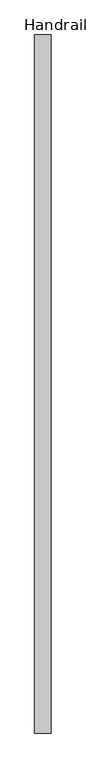
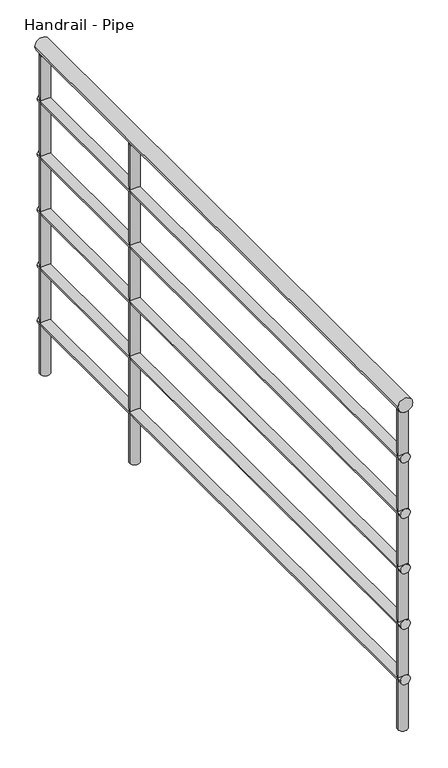
"""IFC4 building model written with IfcOpenShell, lengths in millimetres: railing geometry, Handrail - Pipe."""

import ifcopenshell
import ifcopenshell.guid

model = None  # the IFC model being written
_history = None  # IfcOwnerHistory: only IFC2X3 demands one
_inside = {}  # id of a spatial element -> (the spatial element, [elements in it])
_under = {}  # id of a project, library or spatial element -> (it, [spatial elements below it])
_declared = {}  # id of a project -> (the project, [libraries it declares])
_typed = {}  # id of a type object -> (the type object, [elements of that type])
_made_of = {}  # id of a material, layer set ... -> (it, [elements and type objects made of it])


def new_model(schema):
    """Start an empty IFC model of exactly this schema.

    Asked for "IFC4X3", IfcOpenShell would pick the latest addendum, in which some entities
    have other attributes; the version numbers below select the first issue.
    IFC2X3 requires an IfcOwnerHistory on every rooted entity: one is made here for all.
    """
    global model, _history
    if schema == "IFC4X3":
        model = ifcopenshell.file(schema_version=(4, 3, 0, 0))
    else:
        model = ifcopenshell.file(schema=schema)
    _inside.clear()
    _under.clear()
    _declared.clear()
    _typed.clear()
    _made_of.clear()
    _history = None
    if model.schema == "IFC2X3":
        org = make("IfcOrganization", Name="unknown")
        user = make(
            "IfcPersonAndOrganization",
            ThePerson=make("IfcPerson", FamilyName="unknown"),
            TheOrganization=org,
        )
        app = make(
            "IfcApplication",
            ApplicationDeveloper=org,
            Version="unknown",
            ApplicationFullName="unknown",
            ApplicationIdentifier="unknown",
        )
        _history = make(
            "IfcOwnerHistory",
            OwningUser=user,
            OwningApplication=app,
            ChangeAction="ADDED",
            CreationDate=0,
        )
    return model


def make(cls, **values):
    """One entity of the class cls with the attributes given. An attribute that is None is left unset."""
    return model.create_entity(
        cls, **{name: value for name, value in values.items() if value is not None}
    )


def rooted(cls, **values):
    """An entity with a GlobalId (a new one), such as an element, a storey or a relation."""
    return make(cls, GlobalId=ifcopenshell.guid.new(), OwnerHistory=_history, **values)


def si_unit(unit_type, name, prefix=None):
    """IfcSIUnit, for example si_unit("LENGTHUNIT", "METRE", prefix="MILLI")."""
    return make("IfcSIUnit", UnitType=unit_type, Prefix=prefix, Name=name)


def assignment(units):
    """IfcUnitAssignment: the units of a project."""
    return None if units is None else make("IfcUnitAssignment", Units=units)


def point(xyz):
    """IfcCartesianPoint."""
    return None if xyz is None else make("IfcCartesianPoint", Coordinates=xyz)


def direction(xyz):
    """IfcDirection."""
    return None if xyz is None else make("IfcDirection", DirectionRatios=xyz)


def frame(location, z_axis=None, x_axis=None):
    """IfcAxis2Placement3D, a coordinate frame: its origin and axes. An axis left out is left unset."""
    return make(
        "IfcAxis2Placement3D",
        Location=point(location),
        Axis=direction(z_axis),
        RefDirection=direction(x_axis),
    )


def frame_2d(location, x_axis=None):
    """IfcAxis2Placement2D, a coordinate frame in the plane: its origin and x axis."""
    return make(
        "IfcAxis2Placement2D", Location=point(location), RefDirection=direction(x_axis)
    )


def origin():
    """The frame at (0, 0, 0) with its axes left unset."""
    return frame((0.0, 0.0, 0.0))


def place(relative_to, where):
    """IfcLocalPlacement: puts the frame where relative to a parent placement (None: the world)."""
    return make(
        "IfcLocalPlacement", PlacementRelTo=relative_to, RelativePlacement=where
    )


def context(
    kind, dimensions, precision=None, world=None, true_north=None, identifier=None
):
    """IfcGeometricRepresentationContext, for example the 3D "Model" context."""
    return make(
        "IfcGeometricRepresentationContext",
        ContextIdentifier=identifier,
        ContextType=kind,
        CoordinateSpaceDimension=dimensions,
        Precision=precision,
        WorldCoordinateSystem=world,
        TrueNorth=true_north,
    )


def project(units=None, contexts=None):
    """IfcProject with its units and contexts."""
    return rooted(
        "IfcProject",
        Name="project",
        RepresentationContexts=contexts,
        UnitsInContext=assignment(units),
    )


def spatial(cls, under=None, at=None, **own):
    """A site, building, storey or space (cls), placed at a placement, below another one or the project."""
    s = rooted(cls, ObjectPlacement=at, **own)
    if under is not None:
        _under.setdefault(under.id(), (under, []))[1].append(s)
    return s


def circle_curve(where, radius):
    """IfcCircle in the frame where."""
    return make("IfcCircle", Position=where, Radius=radius)


def trimmed(basis, trim1, trim2, sense, master):
    """IfcTrimmedCurve: the piece of a basis curve between two trims."""
    return make(
        "IfcTrimmedCurve",
        BasisCurve=basis,
        Trim1=trim1,
        Trim2=trim2,
        SenseAgreement=sense,
        MasterRepresentation=master,
    )


def segment(curve, same_sense, transition):
    """IfcCompositeCurveSegment."""
    return make(
        "IfcCompositeCurveSegment",
        Transition=transition,
        SameSense=same_sense,
        ParentCurve=curve,
    )


def composite_curve(segments, self_intersect=None):
    """IfcCompositeCurve: segments joined end to end."""
    return make("IfcCompositeCurve", Segments=segments, SelfIntersect=self_intersect)


def outline(outer, holes=None, kind="AREA"):
    """IfcArbitraryClosedProfileDef: a profile drawn as a closed curve; with holes, ...WithVoids."""
    if holes is None:
        return make("IfcArbitraryClosedProfileDef", ProfileType=kind, OuterCurve=outer)
    return make(
        "IfcArbitraryProfileDefWithVoids",
        ProfileType=kind,
        OuterCurve=outer,
        InnerCurves=holes,
    )


def extrude(swept, where, along, depth):
    """IfcExtrudedAreaSolid: the profile swept, set in the frame where, extruded along a direction by depth."""
    return make(
        "IfcExtrudedAreaSolid",
        SweptArea=swept,
        Position=where,
        ExtrudedDirection=direction(along),
        Depth=depth,
    )


def shape(context_of_items, identifier, shape_type, items):
    """IfcShapeRepresentation: the items that make up one representation, for example the "Body"."""
    return make(
        "IfcShapeRepresentation",
        ContextOfItems=context_of_items,
        RepresentationIdentifier=identifier,
        RepresentationType=shape_type,
        Items=items,
    )


def source(mapping_origin, context_of_items, identifier, shape_type, items):
    """IfcRepresentationMap: a shape defined once, which mapped items show again and again."""
    return make(
        "IfcRepresentationMap",
        MappingOrigin=mapping_origin,
        MappedRepresentation=shape(context_of_items, identifier, shape_type, items),
    )


def transform(
    local_origin,
    x_axis=None,
    y_axis=None,
    z_axis=None,
    scale=None,
    scale2=None,
    scale3=None,
    uniform=True,
):
    """IfcCartesianTransformationOperator3D, or its non-uniform kind. x_axis, y_axis, z_axis: its Axis1, 2, 3."""
    if uniform:
        return make(
            "IfcCartesianTransformationOperator3D",
            Axis1=direction(x_axis),
            Axis2=direction(y_axis),
            LocalOrigin=point(local_origin),
            Scale=scale,
            Axis3=direction(z_axis),
        )
    return make(
        "IfcCartesianTransformationOperator3DnonUniform",
        Axis1=direction(x_axis),
        Axis2=direction(y_axis),
        LocalOrigin=point(local_origin),
        Scale=scale,
        Axis3=direction(z_axis),
        Scale2=scale2,
        Scale3=scale3,
    )


def mapped(mapping_source, mapping_target):
    """IfcMappedItem: shows the shape of a source again, moved by a transform."""
    return make(
        "IfcMappedItem", MappingSource=mapping_source, MappingTarget=mapping_target
    )


def made_of(thing, what):
    """Note that an element or type object is made of a material, layer set ...; save() writes the relation."""
    if what is not None:
        _made_of.setdefault(what.id(), (what, []))[1].append(thing)
    return thing


def element(
    cls,
    number,
    at=None,
    inside=None,
    cuts=None,
    type_object=None,
    material=None,
    context=None,
    identifier="Body",
    shape_type=None,
    held_by="IfcProductDefinitionShape",
    body=None,
    shapes=None,
    **own,
):
    """One element of the class cls, such as IfcWall. Its Tag is "e" and its number.

    at: its placement. inside: the storey or other place that contains it. cuts: it is an
    opening in that element (IfcRelVoidsElement). A single representation is given by context,
    identifier, shape_type and body (its items); several are given by shapes. held_by: the class
    of the entity that holds the representations. save() writes the other relations.
    """
    e = rooted(cls, Tag="e%d" % number, ObjectPlacement=at, **own)
    if body is not None:
        shapes = [shape(context, identifier, shape_type, body)]
    if shapes is not None:
        e.Representation = make(held_by, Representations=shapes)
    if inside is not None:
        _inside.setdefault(inside.id(), (inside, []))[1].append(e)
    if cuts is not None:
        rooted(
            "IfcRelVoidsElement", RelatingBuildingElement=cuts, RelatedOpeningElement=e
        )
    if type_object is not None:
        _typed.setdefault(type_object.id(), (type_object, []))[1].append(e)
    return made_of(e, material)


def aggregate(whole, parts):
    """IfcRelAggregates: a whole, such as a stair, and the parts it consists of."""
    return rooted("IfcRelAggregates", RelatingObject=whole, RelatedObjects=parts)


def save(model, path):
    """Write the relations noted so far, then the file.

    IfcRelAggregates (storeys below a building ...), IfcRelContainedInSpatialStructure (elements
    in a storey), IfcRelDefinesByType, IfcRelAssociatesMaterial and IfcRelDeclares: one each for
    every whole, place, type object, material and project.
    """
    for whole, parts in _under.values():
        aggregate(whole, parts)
    for where, things in _inside.values():
        rooted(
            "IfcRelContainedInSpatialStructure",
            RelatedElements=things,
            RelatingStructure=where,
        )
    for kind, things in _typed.values():
        rooted("IfcRelDefinesByType", RelatedObjects=things, RelatingType=kind)
    for what, things in _made_of.values():
        rooted("IfcRelAssociatesMaterial", RelatedObjects=things, RelatingMaterial=what)
    for by, libraries in _declared.values():
        rooted("IfcRelDeclares", RelatingContext=by, RelatedDefinitions=libraries)
    model.write(path)


def handrail_pipe_1bda492f(model_context):
    return source(origin(), model_context, "Body", "SweptSolid", [
        extrude(outline(composite_curve([segment(trimmed(circle_curve(frame_2d((3511.55, 9999.7319622)), 19.05), [point((3511.55, 9980.6819622))], [point((3511.55, 10018.7819622))], False, "CARTESIAN"), True, "CONTINUOUS"), segment(trimmed(circle_curve(frame_2d((3511.55, 9999.7319622)), 19.05), [point((3511.55, 10018.7819622))], [point((3511.55, 9980.6819622))], False, "CARTESIAN"), True, "CONTINUOUS")], self_intersect=False)), frame((0.0, -440.461673, 0.0), z_axis=(0.0, 1.0, 0.0), x_axis=(0.0, 0.0, 1.0)), (0.0, 0.0, 1.0), 1635.0),
        extrude(outline(composite_curve([segment(trimmed(circle_curve(frame_2d((3365.5, 9999.7319622)), 12.7), [point((3365.5, 9987.0319622))], [point((3365.5, 10012.4319622))], False, "CARTESIAN"), True, "CONTINUOUS"), segment(trimmed(circle_curve(frame_2d((3365.5, 9999.7319622)), 12.7), [point((3365.5, 10012.4319622))], [point((3365.5, 9987.0319622))], False, "CARTESIAN"), True, "CONTINUOUS")], self_intersect=False)), frame((0.0, -440.461673, 0.0), z_axis=(0.0, 1.0, 0.0), x_axis=(0.0, 0.0, 1.0)), (0.0, 0.0, 1.0), 1635.0),
        extrude(outline(composite_curve([segment(trimmed(circle_curve(frame_2d((3213.1, 9999.7319622)), 12.7), [point((3213.1, 9987.0319622))], [point((3213.1, 10012.4319622))], False, "CARTESIAN"), True, "CONTINUOUS"), segment(trimmed(circle_curve(frame_2d((3213.1, 9999.7319622)), 12.7), [point((3213.1, 10012.4319622))], [point((3213.1, 9987.0319622))], False, "CARTESIAN"), True, "CONTINUOUS")], self_intersect=False)), frame((0.0, -440.461673, 0.0), z_axis=(0.0, 1.0, 0.0), x_axis=(0.0, 0.0, 1.0)), (0.0, 0.0, 1.0), 1635.0),
        extrude(outline(composite_curve([segment(trimmed(circle_curve(frame_2d((3060.7, 9999.7319622)), 12.7), [point((3060.7, 9987.0319622))], [point((3060.7, 10012.4319622))], False, "CARTESIAN"), True, "CONTINUOUS"), segment(trimmed(circle_curve(frame_2d((3060.7, 9999.7319622)), 12.7), [point((3060.7, 10012.4319622))], [point((3060.7, 9987.0319622))], False, "CARTESIAN"), True, "CONTINUOUS")], self_intersect=False)), frame((0.0, -440.461673, 0.0), z_axis=(0.0, 1.0, 0.0), x_axis=(0.0, 0.0, 1.0)), (0.0, 0.0, 1.0), 1635.0),
        extrude(outline(composite_curve([segment(trimmed(circle_curve(frame_2d((2908.3, 9999.7319622)), 12.7), [point((2908.3, 9987.0319622))], [point((2908.3, 10012.4319622))], False, "CARTESIAN"), True, "CONTINUOUS"), segment(trimmed(circle_curve(frame_2d((2908.3, 9999.7319622)), 12.7), [point((2908.3, 10012.4319622))], [point((2908.3, 9987.0319622))], False, "CARTESIAN"), True, "CONTINUOUS")], self_intersect=False)), frame((0.0, -440.461673, 0.0), z_axis=(0.0, 1.0, 0.0), x_axis=(0.0, 0.0, 1.0)), (0.0, 0.0, 1.0), 1635.0),
        extrude(outline(composite_curve([segment(trimmed(circle_curve(frame_2d((2755.9, 9999.7319622)), 12.7), [point((2755.9, 9987.0319622))], [point((2755.9, 10012.4319622))], False, "CARTESIAN"), True, "CONTINUOUS"), segment(trimmed(circle_curve(frame_2d((2755.9, 9999.7319622)), 12.7), [point((2755.9, 10012.4319622))], [point((2755.9, 9987.0319622))], False, "CARTESIAN"), True, "CONTINUOUS")], self_intersect=False)), frame((0.0, -440.461673, 0.0), z_axis=(0.0, 1.0, 0.0), x_axis=(0.0, 0.0, 1.0)), (0.0, 0.0, 1.0), 1635.0),
        extrude(outline(composite_curve([segment(trimmed(circle_curve(frame_2d((9999.7319622, 778.738327)), 12.7), [point((9987.0319622, 778.738327))], [point((10012.4319622, 778.738327))], False, "CARTESIAN"), True, "CONTINUOUS"), segment(trimmed(circle_curve(frame_2d((9999.7319622, 778.738327)), 12.7), [point((10012.4319622, 778.738327))], [point((9987.0319622, 778.738327))], False, "CARTESIAN"), True, "CONTINUOUS")], self_intersect=False)), frame((0.0, 0.0, 2616.2), z_axis=(0.0, 0.0, 1.0), x_axis=(1.0, 0.0, 0.0)), (0.0, 0.0, 1.0), 876.3),
        extrude(outline(composite_curve([segment(trimmed(circle_curve(frame_2d((9999.7319622, 1181.838327)), 12.7), [point((9987.0319622, 1181.838327))], [point((10012.4319622, 1181.838327))], False, "CARTESIAN"), True, "CONTINUOUS"), segment(trimmed(circle_curve(frame_2d((9999.7319622, 1181.838327)), 12.7), [point((10012.4319622, 1181.838327))], [point((9987.0319622, 1181.838327))], False, "CARTESIAN"), True, "CONTINUOUS")], self_intersect=False)), frame((0.0, 0.0, 2616.2), z_axis=(0.0, 0.0, 1.0), x_axis=(1.0, 0.0, 0.0)), (0.0, 0.0, 1.0), 876.3),
        extrude(outline(composite_curve([segment(trimmed(circle_curve(frame_2d((9999.7319622, -427.761673)), 12.7), [point((9987.0319622, -427.761673))], [point((10012.4319622, -427.761673))], False, "CARTESIAN"), True, "CONTINUOUS"), segment(trimmed(circle_curve(frame_2d((9999.7319622, -427.761673)), 12.7), [point((10012.4319622, -427.761673))], [point((9987.0319622, -427.761673))], False, "CARTESIAN"), True, "CONTINUOUS")], self_intersect=False)), frame((0.0, 0.0, 2616.2), z_axis=(0.0, 0.0, 1.0), x_axis=(1.0, 0.0, 0.0)), (0.0, 0.0, 1.0), 876.3),
    ])


if __name__ == "__main__":
    model = new_model("IFC4")
    model_context = context("Model", 3, world=origin())
    ifc_project = project(units=[si_unit("LENGTHUNIT", "METRE", prefix="MILLI")], contexts=[model_context])
    site = spatial("IfcSite", under=ifc_project)
    building = spatial("IfcBuilding", under=site)
    placement = place(None, origin())
    handrail_pipe_shape = handrail_pipe_1bda492f(model_context)
    element("IfcRailing", 1, ObjectType="Handrail - Pipe", at=placement, inside=building, context=model_context, shape_type="MappedRepresentation", body=[
        mapped(handrail_pipe_shape, transform((0.0, 0.0, 0.0), x_axis=(1.0, 0.0, 0.0), y_axis=(0.0, 1.0, 0.0), z_axis=(0.0, 0.0, 1.0))),
    ])
    save(model, "model.ifc")
